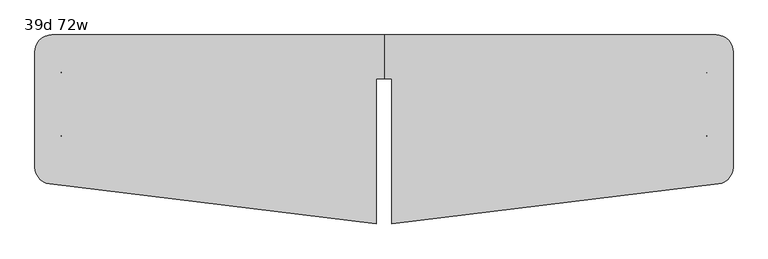
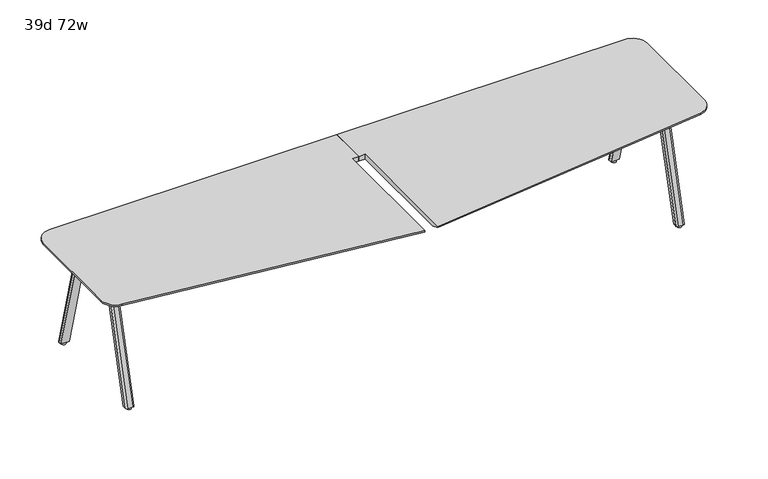
"""IFC4 building model written with IfcOpenShell, lengths in millimetres: furniture geometry, 39d 72w."""

from ifc_helpers import new_model, si_unit, point, frame, frame_2d, origin, origin_with_axes, place, context, project, spatial, polyline, circle_curve, trimmed, segment, composite_curve, outline, extrude, source, transform, mapped, element, save
from ifc_brep_helpers import plane_surface, cylinder_surface, revolved_surface, extruded_surface, advanced_brep


def furniture_39d_72w_19ac55de(model_context):
    return source(origin(), model_context, "Body", "SolidModel", [
        extrude(outline(composite_curve([segment(trimmed(circle_curve(frame_2d((-2158.619, 11.3410641)), 9.525), [point((-2158.619, 1.8160641))], [point((-2168.144, 11.3410641))], False, "CARTESIAN"), True, "CONTINUOUS"), segment(polyline([(-2168.144, 11.3410641), (-2168.144, 94.0144335)]), True, "CONTINUOUS"), segment(trimmed(circle_curve(frame_2d((-2158.619, 94.0144335)), 9.525), [point((-2168.144, 94.0144335))], [point((-2158.619, 103.5394335))], False, "CARTESIAN"), True, "CONTINUOUS"), segment(polyline([(-2158.619, 103.5394335), (-2050.6690004, 103.5394335)]), True, "CONTINUOUS"), segment(trimmed(circle_curve(frame_2d((-2050.6690004, 94.0144335)), 9.525), [point((-2050.6690004, 103.5394335))], [point((-2041.1440004, 94.0144335))], False, "CARTESIAN"), True, "CONTINUOUS"), segment(polyline([(-2041.1440004, 94.0144335), (-2041.1440004, 11.3410641)]), True, "CONTINUOUS"), segment(trimmed(circle_curve(frame_2d((-2050.6690004, 11.3410641)), 9.525), [point((-2041.1440004, 11.3410641))], [point((-2050.6690004, 1.8160641))], False, "CARTESIAN"), True, "CONTINUOUS"), segment(polyline([(-2050.6690004, 1.8160641), (-2158.619, 1.8160641)]), True, "CONTINUOUS")], self_intersect=False)), frame((0.0, 0.0, 705.2055742), z_axis=(0.0, 0.0, 1.0), x_axis=(1.0, 0.0, 0.0)), (0.0, 0.0, 1.0), 5.9944258),
        advanced_brep(
        [(-2152.65, 96.3152734, 705.2055742), (-2162.175, 86.7902734, 705.2055742), (-2162.175, 66.1527734, 705.2055742), (-2111.375, 66.1527734, 705.2055742), (-2111.375, 86.7902734, 705.2055742), (-2120.9, 96.3152734, 705.2055742), (-2152.65, 282.8035641, 12.7), (-2120.9, 282.8035641, 12.7), (-2111.375, 273.2785641, 12.7), (-2111.375, 252.6410641, 12.7), (-2162.175, 252.6410641, 12.7), (-2162.175, 273.2785641, 12.7)],
        [
            (0, 1, circle_curve(frame((-2152.65, 86.7902734, 705.2055742), z_axis=(0.0, 0.0, 1.0), x_axis=(-1.0, 0.0, 0.0)), 9.525)),
            (1, 2),
            (2, 3),
            (3, 4),
            (4, 5, circle_curve(frame((-2120.9, 86.7902734, 705.2055742), z_axis=(0.0, 0.0, 1.0), x_axis=(-1.0, 0.0, 0.0)), 9.525)),
            (5, 0),
            (6, 7),
            (7, 8, circle_curve(frame((-2120.9, 273.2785641, 12.7), z_axis=(0.0, 0.0, -1.0), x_axis=(-1.0, 0.0, 0.0)), 9.525)),
            (8, 9),
            (9, 10),
            (10, 11),
            (11, 6, circle_curve(frame((-2152.65, 273.2785641, 12.7), z_axis=(0.0, 0.0, -1.0), x_axis=(-1.0, 0.0, 0.0)), 9.525)),
            (11, 1),
            (0, 6),
            (10, 2),
            (9, 3),
            (8, 4),
            (7, 5),
        ],
        [
            plane_surface(frame((-2136.775, 83.0861068, 705.2055742), z_axis=(0.0, 0.0, 1.0), x_axis=(1.0, 0.0, 0.0))),
            plane_surface(frame((-2136.775, 269.5743975, 12.7), z_axis=(0.0, 0.0, -1.0), x_axis=(1.0, 0.0, 0.0))),
            extruded_surface(trimmed(circle_curve(frame((-2152.65, 273.2785641, 12.7), z_axis=(0.0, 0.0, 1.0), x_axis=(-1.0, 0.0, 0.0)), 9.525), [point((-2152.65, 282.8035641, 12.7))], [point((-2162.175, 273.2785641, 12.7))], True, "CARTESIAN"), (0.0, -186.4882907, 692.5055742), 717.1763052878136),
            plane_surface(frame((-2162.175, 262.9598141, 12.7), z_axis=(-1.0, 0.0, 0.0), x_axis=(0.0, -1.0, 0.0))),
            plane_surface(frame((-2136.775, 252.6410641, 12.7), z_axis=(0.0, -0.9656001865922422, -0.260031305140414), x_axis=(1.0, 0.0, 0.0))),
            plane_surface(frame((-2111.375, 262.9598141, 12.7), z_axis=(1.0, 0.0, 0.0), x_axis=(0.0, 1.0, 0.0))),
            extruded_surface(trimmed(circle_curve(frame((-2120.9, 273.2785641, 12.7), z_axis=(0.0, 0.0, 1.0), x_axis=(-1.0, 0.0, 0.0)), 9.525), [point((-2111.375, 273.2785641, 12.7))], [point((-2120.9, 282.8035641, 12.7))], True, "CARTESIAN"), (0.0, -186.4882907, 692.5055742), 717.1763052878136),
            plane_surface(frame((-2136.775, 282.8035641, 12.7), z_axis=(0.0, 0.9656001865922422, 0.260031305140414), x_axis=(-1.0, 0.0, 0.0))),
        ],
        [
            (0, [[1, 2, 3, 4, 5, 6]]),
            (1, [[7, 8, 9, 10, 11, 12]]),
            (2, [[-12, 13, -1, 14]]),
            (3, [[-11, 15, -2, -13]]),
            (4, [[-10, 16, -3, -15]]),
            (5, [[-9, 17, -4, -16]]),
            (6, [[-8, 18, -5, -17]]),
            (7, [[-7, -14, -6, -18]]),
        ],
    ),
        extrude(outline(composite_curve([segment(trimmed(circle_curve(frame_2d((-2136.775, 266.9285641)), 12.7), [point((-2124.075, 266.9285641))], [point((-2149.475, 266.9285641))], False, "CARTESIAN"), True, "CONTINUOUS"), segment(trimmed(circle_curve(frame_2d((-2136.775, 266.9285641)), 12.7), [point((-2149.475, 266.9285641))], [point((-2124.075, 266.9285641))], False, "CARTESIAN"), True, "CONTINUOUS")], self_intersect=False)), origin_with_axes(), (0.0, 0.0, 1.0), 12.7),
        extrude(outline(composite_curve([segment(polyline([(-2158.619, -153.6730172), (-2050.6690004, -153.6730172)]), True, "CONTINUOUS"), segment(trimmed(circle_curve(frame_2d((-2050.6690004, -163.1980172)), 9.525), [point((-2050.6690004, -153.6730172))], [point((-2041.1440004, -163.1980172))], False, "CARTESIAN"), True, "CONTINUOUS"), segment(polyline([(-2041.1440004, -163.1980172), (-2041.1440004, -245.8713866)]), True, "CONTINUOUS"), segment(trimmed(circle_curve(frame_2d((-2050.6690004, -245.8713866)), 9.525), [point((-2041.1440004, -245.8713866))], [point((-2050.6690004, -255.3963866))], False, "CARTESIAN"), True, "CONTINUOUS"), segment(polyline([(-2050.6690004, -255.3963866), (-2158.619, -255.3963866)]), True, "CONTINUOUS"), segment(trimmed(circle_curve(frame_2d((-2158.619, -245.8713866)), 9.525), [point((-2158.619, -255.3963866))], [point((-2168.144, -245.8713866))], False, "CARTESIAN"), True, "CONTINUOUS"), segment(polyline([(-2168.144, -245.8713866), (-2168.144, -163.1980172)]), True, "CONTINUOUS"), segment(trimmed(circle_curve(frame_2d((-2158.619, -163.1980172)), 9.525), [point((-2168.144, -163.1980172))], [point((-2158.619, -153.6730172))], False, "CARTESIAN"), True, "CONTINUOUS")], self_intersect=False)), frame((0.0, 0.0, 705.2055742), z_axis=(0.0, 0.0, 1.0), x_axis=(1.0, 0.0, 0.0)), (0.0, 0.0, 1.0), 5.9944258),
        advanced_brep(
        [(-2152.65, -248.1722266, 705.2055742), (-2120.9, -248.1722266, 705.2055742), (-2111.375, -238.6472266, 705.2055742), (-2111.375, -218.0097266, 705.2055742), (-2162.175, -218.0097266, 705.2055742), (-2162.175, -238.6472266, 705.2055742), (-2152.65, -434.6605172, 12.7), (-2162.175, -425.1355172, 12.7), (-2162.175, -404.4980172, 12.7), (-2111.375, -404.4980172, 12.7), (-2111.375, -425.1355172, 12.7), (-2120.9, -434.6605172, 12.7)],
        [
            (0, 1),
            (1, 2, circle_curve(frame((-2120.9, -238.6472266, 705.2055742), z_axis=(0.0, 0.0, 1.0), x_axis=(-1.0, 0.0, 0.0)), 9.525)),
            (2, 3),
            (3, 4),
            (4, 5),
            (5, 0, circle_curve(frame((-2152.65, -238.6472266, 705.2055742), z_axis=(0.0, 0.0, 1.0), x_axis=(-1.0, 0.0, 0.0)), 9.525)),
            (6, 7, circle_curve(frame((-2152.65, -425.1355172, 12.7), z_axis=(0.0, 0.0, -1.0), x_axis=(-1.0, 0.0, 0.0)), 9.525)),
            (7, 8),
            (8, 9),
            (9, 10),
            (10, 11, circle_curve(frame((-2120.9, -425.1355172, 12.7), z_axis=(0.0, 0.0, -1.0), x_axis=(-1.0, 0.0, 0.0)), 9.525)),
            (11, 6),
            (6, 0),
            (5, 7),
            (4, 8),
            (3, 9),
            (2, 10),
            (1, 11),
        ],
        [
            plane_surface(frame((-2136.775, -234.9430599, 705.2055742), z_axis=(0.0, 0.0, 1.0), x_axis=(1.0, 0.0, 0.0))),
            plane_surface(frame((-2136.775, -421.4313506, 12.7), z_axis=(0.0, 0.0, -1.0), x_axis=(1.0, 0.0, 0.0))),
            extruded_surface(trimmed(circle_curve(frame((-2152.65, -238.6472266, 705.2055742), z_axis=(0.0, 0.0, -1.0), x_axis=(-1.0, 0.0, 0.0)), 9.525), [point((-2152.65, -248.1722266, 705.2055742))], [point((-2162.175, -238.6472266, 705.2055742))], True, "CARTESIAN"), (0.0, -186.48829059999997, -692.5055742), 717.1763052618105),
            plane_surface(frame((-2162.175, -414.8167672, 12.7), z_axis=(-1.0, 0.0, 0.0), x_axis=(0.0, 1.0, 0.0))),
            plane_surface(frame((-2136.775, -404.4980172, 12.7), z_axis=(0.0, 0.9656001865922422, -0.260031305140414), x_axis=(1.0, 0.0, 0.0))),
            plane_surface(frame((-2111.375, -414.8167672, 12.7), z_axis=(1.0, 0.0, 0.0), x_axis=(0.0, -1.0, 0.0))),
            extruded_surface(trimmed(circle_curve(frame((-2120.9, -238.6472266, 705.2055742), z_axis=(0.0, 0.0, -1.0), x_axis=(-1.0, 0.0, 0.0)), 9.525), [point((-2111.375, -238.6472266, 705.2055742))], [point((-2120.9, -248.1722266, 705.2055742))], True, "CARTESIAN"), (0.0, -186.48829059999997, -692.5055742), 717.1763052618105),
            plane_surface(frame((-2136.775, -434.6605172, 12.7), z_axis=(0.0, -0.9656001865922422, 0.260031305140414), x_axis=(-1.0, 0.0, 0.0))),
        ],
        [
            (0, [[1, 2, 3, 4, 5, 6]]),
            (1, [[7, 8, 9, 10, 11, 12]]),
            (2, [[13, -6, 14, -7]]),
            (3, [[-14, -5, 15, -8]]),
            (4, [[-15, -4, 16, -9]]),
            (5, [[-16, -3, 17, -10]]),
            (6, [[-17, -2, 18, -11]]),
            (7, [[-18, -1, -13, -12]]),
        ],
    ),
        extrude(outline(composite_curve([segment(trimmed(circle_curve(frame_2d((-2136.775, -418.7855172)), 12.7), [point((-2124.075, -418.7855172))], [point((-2149.475, -418.7855172))], False, "CARTESIAN"), True, "CONTINUOUS"), segment(trimmed(circle_curve(frame_2d((-2136.775, -418.7855172)), 12.7), [point((-2149.475, -418.7855172))], [point((-2124.075, -418.7855172))], False, "CARTESIAN"), True, "CONTINUOUS")], self_intersect=False)), origin_with_axes(), (0.0, 0.0, 1.0), 12.7),
        advanced_brep(
        [(-469.9, 287.6090234, 741.3625), (-2209.8, 287.6090234, 741.3625), (-2298.7, 198.7090234, 741.3625), (-2298.7, -404.6635078, 741.3625), (-2220.6341846, -492.9008607, 741.3625), (-509.5875, -702.9909766, 741.3625), (-509.5875, 59.0090234, 741.3625), (-469.9, 59.0090234, 741.3625), (-509.5875, 59.0090234, 711.2), (-509.5875, -651.8094774, 711.2), (-2214.443222, -442.4795162, 711.2), (-2247.9, -404.6635078, 711.2), (-2247.9, 198.7090234, 711.2), (-2209.8, 236.8090234, 711.2), (-469.9, 236.8090234, 711.2), (-469.9, 59.0090234, 711.2), (-469.9, 287.6090234, 731.8375), (-2298.7, 198.7090234, 731.8375), (-2298.7, -404.6635078, 731.8375), (-2209.8, 287.6090234, 731.8375), (-509.5875, -702.9909766, 731.8375), (-2220.6341846, -492.9008607, 731.8375)],
        [
            (0, 1),
            (1, 2, circle_curve(frame((-2209.8, 198.7090234, 741.3625), z_axis=(0.0, 0.0, 1.0), x_axis=(-1.0, 0.0, 0.0)), 88.9)),
            (2, 3),
            (3, 4, circle_curve(frame((-2209.8, -404.6635078, 741.3625), z_axis=(0.0, 0.0, 1.0), x_axis=(-1.0, 0.0, 0.0)), 88.9)),
            (4, 5),
            (5, 6),
            (6, 7),
            (7, 0),
            (8, 9),
            (9, 10),
            (10, 11, circle_curve(frame((-2209.8, -404.6635078, 711.2), z_axis=(0.0, 0.0, -1.0), x_axis=(-0.12186934340514416, -0.9925461516413224, 0.0)), 38.1)),
            (11, 12),
            (12, 13, circle_curve(frame((-2209.8, 198.7090234, 711.2), z_axis=(0.0, 0.0, -1.0), x_axis=(-1.0, 0.0, 0.0)), 38.1)),
            (13, 14),
            (14, 15),
            (15, 8),
            (7, 15),
            (14, 16),
            (16, 0),
            (2, 17),
            (17, 18),
            (18, 3),
            (16, 19),
            (19, 1),
            (19, 17, circle_curve(frame((-2209.8, 198.7090234, 731.8375), z_axis=(0.0, 0.0, 1.0), x_axis=(-1.0, 0.0, 0.0)), 88.9)),
            (6, 8),
            (5, 20),
            (20, 9),
            (4, 21),
            (21, 20),
            (18, 21, circle_curve(frame((-2209.8, -404.6635078, 731.8375), z_axis=(0.0, 0.0, 1.0), x_axis=(-1.0, 0.0, 0.0)), 88.9)),
            (12, 17),
            (19, 13),
            (21, 10),
            (18, 11),
        ],
        [
            plane_surface(frame((-469.9, 59.0090234, 741.3625), z_axis=(0.0, 0.0, 1.0), x_axis=(0.0, -1.0, 0.0))),
            plane_surface(frame((-469.9, 59.0090234, 711.2), z_axis=(0.0, 0.0, -1.0), x_axis=(0.0, 1.0, 0.0))),
            plane_surface(frame((-469.9, 287.6090234, 741.3625), z_axis=(1.0, 0.0, 0.0), x_axis=(0.0, 0.0, -1.0))),
            plane_surface(frame((-2298.7, -404.6635078, 741.3625), z_axis=(-1.0, 0.0, 0.0), x_axis=(0.0, 0.0, -1.0))),
            plane_surface(frame((-2209.8, 287.6090234, 741.3625), z_axis=(0.0, 1.0, 0.0), x_axis=(0.0, 0.0, -1.0))),
            cylinder_surface(frame((-2209.8, 198.7090234, 711.2), z_axis=(0.0, 0.0, 1.0), x_axis=(-1.0, 0.0, 0.0)), 88.9),
            plane_surface(frame((-469.9, 59.0090234, 741.3625), z_axis=(0.0, -1.0, 0.0), x_axis=(0.0, 0.0, -1.0))),
            plane_surface(frame((-509.5875, 59.0090234, 741.3625), z_axis=(1.0, 0.0, 0.0), x_axis=(0.0, 0.0, -1.0))),
            plane_surface(frame((-509.5875, -702.9909766, 741.3625), z_axis=(-0.12186934340515047, -0.9925461516413217, 0.0), x_axis=(0.0, 0.0, -1.0))),
            cylinder_surface(frame((-2209.8, -404.6635078, 711.2), z_axis=(0.0, 0.0, 1.0), x_axis=(-1.0, 0.0, 0.0)), 88.9),
            revolved_surface(polyline([(-2247.9, 198.7090234, 711.2), (-2298.7, 198.7090234, 731.8375)]), (-2209.8, 198.7090234, 741.3625), (0.0, 0.0, 1.0)),
            plane_surface(frame((-2209.8, 287.6090234, 731.8375), z_axis=(0.0, 0.3763770469564822, -0.9264665771220881), x_axis=(1.0, 0.0, 0.0))),
            plane_surface(frame((-509.5875, -702.9909766, 731.8375), z_axis=(-0.04586882358535598, -0.3735715895227815, -0.9264665771220881), x_axis=(-0.9925461516413217, 0.12186934340515047, 0.0))),
            revolved_surface(polyline([(-2214.443222, -442.4795162, 711.2), (-2220.6341846, -492.9008607, 731.8375)]), (-2209.8, -404.6635078, 741.3625), (0.0, 0.0, 1.0)),
            plane_surface(frame((-2298.7, -404.6635078, 731.8375), z_axis=(-0.3763770469564822, 0.0, -0.9264665771220881), x_axis=(0.0, 1.0, 0.0))),
        ],
        [
            (0, [[1, 2, 3, 4, 5, 6, 7, 8]]),
            (1, [[9, 10, 11, 12, 13, 14, 15, 16]]),
            (2, [[17, -15, 18, 19, -8]]),
            (3, [[20, 21, 22, -3]]),
            (4, [[-19, 23, 24, -1]]),
            (5, [[-24, 25, -20, -2]]),
            (6, [[26, -16, -17, -7]]),
            (7, [[27, 28, -9, -26, -6]]),
            (8, [[29, 30, -27, -5]]),
            (9, [[-22, 31, -29, -4]]),
            (10, [[-13, 32, -25, 33]]),
            (11, [[-23, -18, -14, -33]]),
            (12, [[-10, -28, -30, 34]]),
            (13, [[-31, 35, -11, -34]]),
            (14, [[-12, -35, -21, -32]]),
        ],
    ),
        advanced_brep(
        [(-469.9, 287.6090234, 741.3625), (-469.9, 59.0090234, 741.3625), (-430.2125, 59.0090234, 741.3625), (-430.2125, -702.9909766, 741.3625), (1280.8341846, -492.9008607, 741.3625), (1358.9, -404.6635078, 741.3625), (1358.9, 198.7090234, 741.3625), (1270.0, 287.6090234, 741.3625), (-430.2125, 59.0090234, 711.2), (-469.9, 59.0090234, 711.2), (-469.9, 236.8090234, 711.2), (1270.0, 236.8090234, 711.2), (1308.1, 198.7090234, 711.2), (1308.1, -404.6635078, 711.2), (1274.643222, -442.4795162, 711.2), (-430.2125, -651.8094774, 711.2), (-469.9, 287.6090234, 731.8375), (1358.9, -404.6635078, 731.8375), (1358.9, 198.7090234, 731.8375), (1270.0, 287.6090234, 731.8375), (-430.2125, -702.9909766, 731.8375), (1280.8341846, -492.9008607, 731.8375)],
        [
            (0, 1),
            (1, 2),
            (2, 3),
            (3, 4),
            (4, 5, circle_curve(frame((1270.0, -404.6635078, 741.3625), z_axis=(0.0, 0.0, 1.0), x_axis=(1.0, 0.0, 0.0)), 88.9)),
            (5, 6),
            (6, 7, circle_curve(frame((1270.0, 198.7090234, 741.3625), z_axis=(0.0, 0.0, 1.0), x_axis=(1.0, 0.0, 0.0)), 88.9)),
            (7, 0),
            (8, 9),
            (9, 10),
            (10, 11),
            (11, 12, circle_curve(frame((1270.0, 198.7090234, 711.2), z_axis=(0.0, 0.0, -1.0), x_axis=(1.0, 0.0, 0.0)), 38.1)),
            (12, 13),
            (13, 14, circle_curve(frame((1270.0, -404.6635078, 711.2), z_axis=(0.0, 0.0, -1.0), x_axis=(0.12186934340514416, -0.9925461516413224, 0.0)), 38.1)),
            (14, 15),
            (15, 8),
            (0, 16),
            (16, 10),
            (9, 1),
            (5, 17),
            (17, 18),
            (18, 6),
            (7, 19),
            (19, 16),
            (18, 19, circle_curve(frame((1270.0, 198.7090234, 731.8375), z_axis=(0.0, 0.0, 1.0), x_axis=(1.0, 0.0, 0.0)), 88.9)),
            (8, 2),
            (15, 20),
            (20, 3),
            (20, 21),
            (21, 4),
            (21, 17, circle_curve(frame((1270.0, -404.6635078, 731.8375), z_axis=(0.0, 0.0, 1.0), x_axis=(1.0, 0.0, 0.0)), 88.9)),
            (11, 19),
            (18, 12),
            (14, 21),
            (13, 17),
        ],
        [
            plane_surface(frame((-469.9, 59.0090234, 741.3625), z_axis=(0.0, 0.0, 1.0), x_axis=(0.0, -1.0, 0.0))),
            plane_surface(frame((-469.9, 59.0090234, 711.2), z_axis=(0.0, 0.0, -1.0), x_axis=(0.0, 1.0, 0.0))),
            plane_surface(frame((-469.9, 287.6090234, 741.3625), z_axis=(-1.0, 0.0, 0.0), x_axis=(0.0, 0.0, -1.0))),
            plane_surface(frame((1358.9, -404.6635078, 741.3625), z_axis=(1.0, 0.0, 0.0), x_axis=(0.0, 0.0, -1.0))),
            plane_surface(frame((1270.0, 287.6090234, 741.3625), z_axis=(0.0, 1.0, 0.0), x_axis=(0.0, 0.0, -1.0))),
            cylinder_surface(frame((1270.0, 198.7090234, 711.2), z_axis=(0.0, 0.0, 1.0), x_axis=(1.0, 0.0, 0.0)), 88.9),
            plane_surface(frame((-469.9, 59.0090234, 741.3625), z_axis=(0.0, -1.0, 0.0), x_axis=(0.0, 0.0, -1.0))),
            plane_surface(frame((-430.2125, 59.0090234, 741.3625), z_axis=(-1.0, 0.0, 0.0), x_axis=(0.0, 0.0, -1.0))),
            plane_surface(frame((-430.2125, -702.9909766, 741.3625), z_axis=(0.12186934340515047, -0.9925461516413217, 0.0), x_axis=(0.0, 0.0, -1.0))),
            cylinder_surface(frame((1270.0, -404.6635078, 711.2), z_axis=(0.0, 0.0, 1.0), x_axis=(1.0, 0.0, 0.0)), 88.9),
            revolved_surface(polyline([(1308.1, 198.7090234, 711.2), (1358.9, 198.7090234, 731.8375)]), (1270.0, 198.7090234, 741.3625), (0.0, 0.0, 1.0)),
            plane_surface(frame((1270.0, 287.6090234, 731.8375), z_axis=(0.0, 0.3763770469564822, -0.9264665771220881), x_axis=(-1.0, 0.0, 0.0))),
            plane_surface(frame((-430.2125, -702.9909766, 731.8375), z_axis=(0.04586882358535598, -0.3735715895227815, -0.9264665771220881), x_axis=(0.9925461516413217, 0.12186934340515047, 0.0))),
            revolved_surface(polyline([(1274.643222, -442.4795162, 711.2), (1280.8341846, -492.9008607, 731.8375)]), (1270.0, -404.6635078, 741.3625), (0.0, 0.0, 1.0)),
            plane_surface(frame((1358.9, -404.6635078, 731.8375), z_axis=(0.3763770469564822, 0.0, -0.9264665771220881), x_axis=(0.0, 1.0, 0.0))),
        ],
        [
            (0, [[1, 2, 3, 4, 5, 6, 7, 8]]),
            (1, [[9, 10, 11, 12, 13, 14, 15, 16]]),
            (2, [[-1, 17, 18, -10, 19]]),
            (3, [[-6, 20, 21, 22]]),
            (4, [[-8, 23, 24, -17]]),
            (5, [[-7, -22, 25, -23]]),
            (6, [[-2, -19, -9, 26]]),
            (7, [[-3, -26, -16, 27, 28]]),
            (8, [[-4, -28, 29, 30]]),
            (9, [[-5, -30, 31, -20]]),
            (10, [[32, -25, 33, -12]]),
            (11, [[-32, -11, -18, -24]]),
            (12, [[34, -29, -27, -15]]),
            (13, [[-34, -14, 35, -31]]),
            (14, [[-33, -21, -35, -13]]),
        ],
    ),
        extrude(outline(composite_curve([segment(polyline([(1218.819, 1.8160641), (1110.8690004, 1.8160641)]), True, "CONTINUOUS"), segment(trimmed(circle_curve(frame_2d((1110.8690004, 11.3410641)), 9.525), [point((1110.8690004, 1.8160641))], [point((1101.3440004, 11.3410641))], False, "CARTESIAN"), True, "CONTINUOUS"), segment(polyline([(1101.3440004, 11.3410641), (1101.3440004, 94.0144335)]), True, "CONTINUOUS"), segment(trimmed(circle_curve(frame_2d((1110.8690004, 94.0144335)), 9.525), [point((1101.3440004, 94.0144335))], [point((1110.8690004, 103.5394335))], False, "CARTESIAN"), True, "CONTINUOUS"), segment(polyline([(1110.8690004, 103.5394335), (1218.819, 103.5394335)]), True, "CONTINUOUS"), segment(trimmed(circle_curve(frame_2d((1218.819, 94.0144335)), 9.525), [point((1218.819, 103.5394335))], [point((1228.344, 94.0144335))], False, "CARTESIAN"), True, "CONTINUOUS"), segment(polyline([(1228.344, 94.0144335), (1228.344, 11.3410641)]), True, "CONTINUOUS"), segment(trimmed(circle_curve(frame_2d((1218.819, 11.3410641)), 9.525), [point((1228.344, 11.3410641))], [point((1218.819, 1.8160641))], False, "CARTESIAN"), True, "CONTINUOUS")], self_intersect=False)), frame((0.0, 0.0, 705.2055742), z_axis=(0.0, 0.0, 1.0), x_axis=(1.0, 0.0, 0.0)), (0.0, 0.0, 1.0), 5.9944258),
        advanced_brep(
        [(1212.85, 96.3152734, 705.2055742), (1181.1, 96.3152734, 705.2055742), (1171.575, 86.7902734, 705.2055742), (1171.575, 66.1527734, 705.2055742), (1222.375, 66.1527734, 705.2055742), (1222.375, 86.7902734, 705.2055742), (1212.85, 282.8035641, 12.7), (1222.375, 273.2785641, 12.7), (1222.375, 252.6410641, 12.7), (1171.575, 252.6410641, 12.7), (1171.575, 273.2785641, 12.7), (1181.1, 282.8035641, 12.7)],
        [
            (0, 1),
            (1, 2, circle_curve(frame((1181.1, 86.7902734, 705.2055742), z_axis=(0.0, 0.0, 1.0), x_axis=(1.0, 0.0, 0.0)), 9.525)),
            (2, 3),
            (3, 4),
            (4, 5),
            (5, 0, circle_curve(frame((1212.85, 86.7902734, 705.2055742), z_axis=(0.0, 0.0, 1.0), x_axis=(1.0, 0.0, 0.0)), 9.525)),
            (6, 7, circle_curve(frame((1212.85, 273.2785641, 12.7), z_axis=(0.0, 0.0, -1.0), x_axis=(1.0, 0.0, 0.0)), 9.525)),
            (7, 8),
            (8, 9),
            (9, 10),
            (10, 11, circle_curve(frame((1181.1, 273.2785641, 12.7), z_axis=(0.0, 0.0, -1.0), x_axis=(1.0, 0.0, 0.0)), 9.525)),
            (11, 6),
            (6, 0),
            (5, 7),
            (4, 8),
            (3, 9),
            (2, 10),
            (1, 11),
        ],
        [
            plane_surface(frame((1196.975, 83.0861068, 705.2055742), z_axis=(0.0, 0.0, 1.0), x_axis=(-1.0, 0.0, 0.0))),
            plane_surface(frame((1196.975, 269.5743975, 12.7), z_axis=(0.0, 0.0, -1.0), x_axis=(-1.0, 0.0, 0.0))),
            extruded_surface(trimmed(circle_curve(frame((1212.85, 86.7902734, 705.2055742), z_axis=(0.0, 0.0, -1.0), x_axis=(1.0, 0.0, 0.0)), 9.525), [point((1212.85, 96.3152734, 705.2055742))], [point((1222.375, 86.7902734, 705.2055742))], True, "CARTESIAN"), (0.0, 186.4882907, -692.5055742), 717.1763052878136),
            plane_surface(frame((1222.375, 262.9598141, 12.7), z_axis=(1.0, 0.0, 0.0), x_axis=(0.0, -1.0, 0.0))),
            plane_surface(frame((1196.975, 252.6410641, 12.7), z_axis=(0.0, -0.9656001865922422, -0.260031305140414), x_axis=(-1.0, 0.0, 0.0))),
            plane_surface(frame((1171.575, 262.9598141, 12.7), z_axis=(-1.0, 0.0, 0.0), x_axis=(0.0, 1.0, 0.0))),
            extruded_surface(trimmed(circle_curve(frame((1181.1, 86.7902734, 705.2055742), z_axis=(0.0, 0.0, -1.0), x_axis=(1.0, 0.0, 0.0)), 9.525), [point((1171.575, 86.7902734, 705.2055742))], [point((1181.1, 96.3152734, 705.2055742))], True, "CARTESIAN"), (0.0, 186.4882907, -692.5055742), 717.1763052878136),
            plane_surface(frame((1196.975, 282.8035641, 12.7), z_axis=(0.0, 0.9656001865922422, 0.260031305140414), x_axis=(1.0, 0.0, 0.0))),
        ],
        [
            (0, [[1, 2, 3, 4, 5, 6]]),
            (1, [[7, 8, 9, 10, 11, 12]]),
            (2, [[13, -6, 14, -7]]),
            (3, [[-14, -5, 15, -8]]),
            (4, [[-15, -4, 16, -9]]),
            (5, [[-16, -3, 17, -10]]),
            (6, [[-17, -2, 18, -11]]),
            (7, [[-18, -1, -13, -12]]),
        ],
    ),
        extrude(outline(composite_curve([segment(trimmed(circle_curve(frame_2d((1196.975, 266.9285641)), 12.7), [point((1184.275, 266.9285641))], [point((1209.675, 266.9285641))], False, "CARTESIAN"), True, "CONTINUOUS"), segment(trimmed(circle_curve(frame_2d((1196.975, 266.9285641)), 12.7), [point((1209.675, 266.9285641))], [point((1184.275, 266.9285641))], False, "CARTESIAN"), True, "CONTINUOUS")], self_intersect=False)), origin_with_axes(), (0.0, 0.0, 1.0), 12.7),
        extrude(outline(composite_curve([segment(trimmed(circle_curve(frame_2d((1218.819, -163.1980172)), 9.525), [point((1218.819, -153.6730172))], [point((1228.344, -163.1980172))], False, "CARTESIAN"), True, "CONTINUOUS"), segment(polyline([(1228.344, -163.1980172), (1228.344, -245.8713866)]), True, "CONTINUOUS"), segment(trimmed(circle_curve(frame_2d((1218.819, -245.8713866)), 9.525), [point((1228.344, -245.8713866))], [point((1218.819, -255.3963866))], False, "CARTESIAN"), True, "CONTINUOUS"), segment(polyline([(1218.819, -255.3963866), (1110.8690004, -255.3963866)]), True, "CONTINUOUS"), segment(trimmed(circle_curve(frame_2d((1110.8690004, -245.8713866)), 9.525), [point((1110.8690004, -255.3963866))], [point((1101.3440004, -245.8713866))], False, "CARTESIAN"), True, "CONTINUOUS"), segment(polyline([(1101.3440004, -245.8713866), (1101.3440004, -163.1980172)]), True, "CONTINUOUS"), segment(trimmed(circle_curve(frame_2d((1110.8690004, -163.1980172)), 9.525), [point((1101.3440004, -163.1980172))], [point((1110.8690004, -153.6730172))], False, "CARTESIAN"), True, "CONTINUOUS"), segment(polyline([(1110.8690004, -153.6730172), (1218.819, -153.6730172)]), True, "CONTINUOUS")], self_intersect=False)), frame((0.0, 0.0, 705.2055742), z_axis=(0.0, 0.0, 1.0), x_axis=(1.0, 0.0, 0.0)), (0.0, 0.0, 1.0), 5.9944258),
        advanced_brep(
        [(1212.85, -248.1722266, 705.2055742), (1222.375, -238.6472266, 705.2055742), (1222.375, -218.0097266, 705.2055742), (1171.575, -218.0097266, 705.2055742), (1171.575, -238.6472266, 705.2055742), (1181.1, -248.1722266, 705.2055742), (1212.85, -434.6605172, 12.7), (1181.1, -434.6605172, 12.7), (1171.575, -425.1355172, 12.7), (1171.575, -404.4980172, 12.7), (1222.375, -404.4980172, 12.7), (1222.375, -425.1355172, 12.7)],
        [
            (0, 1, circle_curve(frame((1212.85, -238.6472266, 705.2055742), z_axis=(0.0, 0.0, 1.0), x_axis=(1.0, 0.0, 0.0)), 9.525)),
            (1, 2),
            (2, 3),
            (3, 4),
            (4, 5, circle_curve(frame((1181.1, -238.6472266, 705.2055742), z_axis=(0.0, 0.0, 1.0), x_axis=(1.0, 0.0, 0.0)), 9.525)),
            (5, 0),
            (6, 7),
            (7, 8, circle_curve(frame((1181.1, -425.1355172, 12.7), z_axis=(0.0, 0.0, -1.0), x_axis=(1.0, 0.0, 0.0)), 9.525)),
            (8, 9),
            (9, 10),
            (10, 11),
            (11, 6, circle_curve(frame((1212.85, -425.1355172, 12.7), z_axis=(0.0, 0.0, -1.0), x_axis=(1.0, 0.0, 0.0)), 9.525)),
            (11, 1),
            (0, 6),
            (10, 2),
            (9, 3),
            (8, 4),
            (7, 5),
        ],
        [
            plane_surface(frame((1196.975, -234.9430599, 705.2055742), z_axis=(0.0, 0.0, 1.0), x_axis=(-1.0, 0.0, 0.0))),
            plane_surface(frame((1196.975, -421.4313506, 12.7), z_axis=(0.0, 0.0, -1.0), x_axis=(-1.0, 0.0, 0.0))),
            extruded_surface(trimmed(circle_curve(frame((1212.85, -425.1355172, 12.7), z_axis=(0.0, 0.0, 1.0), x_axis=(1.0, 0.0, 0.0)), 9.525), [point((1212.85, -434.6605172, 12.7))], [point((1222.375, -425.1355172, 12.7))], True, "CARTESIAN"), (0.0, 186.48829059999997, 692.5055742), 717.1763052618105),
            plane_surface(frame((1222.375, -414.8167672, 12.7), z_axis=(1.0, 0.0, 0.0), x_axis=(0.0, 1.0, 0.0))),
            plane_surface(frame((1196.975, -404.4980172, 12.7), z_axis=(0.0, 0.9656001865922422, -0.260031305140414), x_axis=(-1.0, 0.0, 0.0))),
            plane_surface(frame((1171.575, -414.8167672, 12.7), z_axis=(-1.0, 0.0, 0.0), x_axis=(0.0, -1.0, 0.0))),
            extruded_surface(trimmed(circle_curve(frame((1181.1, -425.1355172, 12.7), z_axis=(0.0, 0.0, 1.0), x_axis=(1.0, 0.0, 0.0)), 9.525), [point((1171.575, -425.1355172, 12.7))], [point((1181.1, -434.6605172, 12.7))], True, "CARTESIAN"), (0.0, 186.48829059999997, 692.5055742), 717.1763052618105),
            plane_surface(frame((1196.975, -434.6605172, 12.7), z_axis=(0.0, -0.9656001865922422, 0.260031305140414), x_axis=(1.0, 0.0, 0.0))),
        ],
        [
            (0, [[1, 2, 3, 4, 5, 6]]),
            (1, [[7, 8, 9, 10, 11, 12]]),
            (2, [[-12, 13, -1, 14]]),
            (3, [[-11, 15, -2, -13]]),
            (4, [[-10, 16, -3, -15]]),
            (5, [[-9, 17, -4, -16]]),
            (6, [[-8, 18, -5, -17]]),
            (7, [[-7, -14, -6, -18]]),
        ],
    ),
        extrude(outline(composite_curve([segment(trimmed(circle_curve(frame_2d((1196.975, -418.7855172)), 12.7), [point((1184.275, -418.7855172))], [point((1209.675, -418.7855172))], False, "CARTESIAN"), True, "CONTINUOUS"), segment(trimmed(circle_curve(frame_2d((1196.975, -418.7855172)), 12.7), [point((1209.675, -418.7855172))], [point((1184.275, -418.7855172))], False, "CARTESIAN"), True, "CONTINUOUS")], self_intersect=False)), origin_with_axes(), (0.0, 0.0, 1.0), 12.7),
    ])


if __name__ == "__main__":
    model = new_model("IFC4")
    model_context = context("Model", 3, world=origin())
    ifc_project = project(units=[si_unit("LENGTHUNIT", "METRE", prefix="MILLI")], contexts=[model_context])
    site = spatial("IfcSite", under=ifc_project)
    building = spatial("IfcBuilding", under=site)
    placement = place(None, origin())
    furniture_39d_72w_shape = furniture_39d_72w_19ac55de(model_context)
    element("IfcFurniture", 1, ObjectType="39d 72w", at=placement, inside=building, context=model_context, shape_type="MappedRepresentation", body=[
        mapped(furniture_39d_72w_shape, transform((0.0, 0.0, 0.0), x_axis=(1.0, 0.0, 0.0), y_axis=(0.0, 1.0, 0.0), z_axis=(0.0, 0.0, 1.0))),
    ])
    save(model, "model.ifc")
